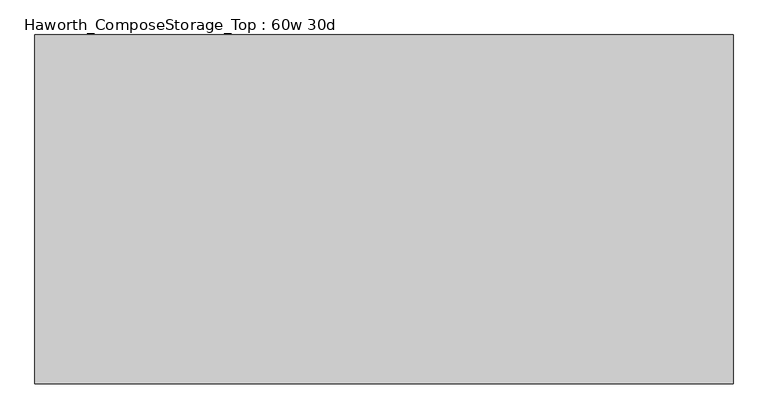
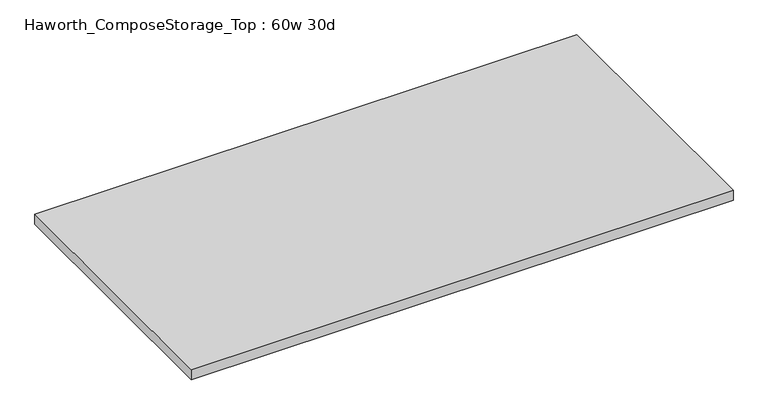
"""IFC4 building model written with IfcOpenShell, lengths in millimetres: furniture geometry, Haworth_ComposeStorage_Top : 60w 30d."""

import ifcopenshell
import ifcopenshell.guid

model = None  # the IFC model being written
_history = None  # IfcOwnerHistory: only IFC2X3 demands one
_inside = {}  # id of a spatial element -> (the spatial element, [elements in it])
_under = {}  # id of a project, library or spatial element -> (it, [spatial elements below it])
_declared = {}  # id of a project -> (the project, [libraries it declares])
_typed = {}  # id of a type object -> (the type object, [elements of that type])
_made_of = {}  # id of a material, layer set ... -> (it, [elements and type objects made of it])


def new_model(schema):
    """Start an empty IFC model of exactly this schema.

    Asked for "IFC4X3", IfcOpenShell would pick the latest addendum, in which some entities
    have other attributes; the version numbers below select the first issue.
    IFC2X3 requires an IfcOwnerHistory on every rooted entity: one is made here for all.
    """
    global model, _history
    if schema == "IFC4X3":
        model = ifcopenshell.file(schema_version=(4, 3, 0, 0))
    else:
        model = ifcopenshell.file(schema=schema)
    _inside.clear()
    _under.clear()
    _declared.clear()
    _typed.clear()
    _made_of.clear()
    _history = None
    if model.schema == "IFC2X3":
        org = make("IfcOrganization", Name="unknown")
        user = make(
            "IfcPersonAndOrganization",
            ThePerson=make("IfcPerson", FamilyName="unknown"),
            TheOrganization=org,
        )
        app = make(
            "IfcApplication",
            ApplicationDeveloper=org,
            Version="unknown",
            ApplicationFullName="unknown",
            ApplicationIdentifier="unknown",
        )
        _history = make(
            "IfcOwnerHistory",
            OwningUser=user,
            OwningApplication=app,
            ChangeAction="ADDED",
            CreationDate=0,
        )
    return model


def make(cls, **values):
    """One entity of the class cls with the attributes given. An attribute that is None is left unset."""
    return model.create_entity(
        cls, **{name: value for name, value in values.items() if value is not None}
    )


def rooted(cls, **values):
    """An entity with a GlobalId (a new one), such as an element, a storey or a relation."""
    return make(cls, GlobalId=ifcopenshell.guid.new(), OwnerHistory=_history, **values)


def si_unit(unit_type, name, prefix=None):
    """IfcSIUnit, for example si_unit("LENGTHUNIT", "METRE", prefix="MILLI")."""
    return make("IfcSIUnit", UnitType=unit_type, Prefix=prefix, Name=name)


def assignment(units):
    """IfcUnitAssignment: the units of a project."""
    return None if units is None else make("IfcUnitAssignment", Units=units)


def point(xyz):
    """IfcCartesianPoint."""
    return None if xyz is None else make("IfcCartesianPoint", Coordinates=xyz)


def direction(xyz):
    """IfcDirection."""
    return None if xyz is None else make("IfcDirection", DirectionRatios=xyz)


def frame(location, z_axis=None, x_axis=None):
    """IfcAxis2Placement3D, a coordinate frame: its origin and axes. An axis left out is left unset."""
    return make(
        "IfcAxis2Placement3D",
        Location=point(location),
        Axis=direction(z_axis),
        RefDirection=direction(x_axis),
    )


def origin():
    """The frame at (0, 0, 0) with its axes left unset."""
    return frame((0.0, 0.0, 0.0))


def place(relative_to, where):
    """IfcLocalPlacement: puts the frame where relative to a parent placement (None: the world)."""
    return make(
        "IfcLocalPlacement", PlacementRelTo=relative_to, RelativePlacement=where
    )


def context(
    kind, dimensions, precision=None, world=None, true_north=None, identifier=None
):
    """IfcGeometricRepresentationContext, for example the 3D "Model" context."""
    return make(
        "IfcGeometricRepresentationContext",
        ContextIdentifier=identifier,
        ContextType=kind,
        CoordinateSpaceDimension=dimensions,
        Precision=precision,
        WorldCoordinateSystem=world,
        TrueNorth=true_north,
    )


def project(units=None, contexts=None):
    """IfcProject with its units and contexts."""
    return rooted(
        "IfcProject",
        Name="project",
        RepresentationContexts=contexts,
        UnitsInContext=assignment(units),
    )


def spatial(cls, under=None, at=None, **own):
    """A site, building, storey or space (cls), placed at a placement, below another one or the project."""
    s = rooted(cls, ObjectPlacement=at, **own)
    if under is not None:
        _under.setdefault(under.id(), (under, []))[1].append(s)
    return s


def polyline(points):
    """IfcPolyline through the points."""
    return make("IfcPolyline", Points=[point(p) for p in points])


def outline(outer, holes=None, kind="AREA"):
    """IfcArbitraryClosedProfileDef: a profile drawn as a closed curve; with holes, ...WithVoids."""
    if holes is None:
        return make("IfcArbitraryClosedProfileDef", ProfileType=kind, OuterCurve=outer)
    return make(
        "IfcArbitraryProfileDefWithVoids",
        ProfileType=kind,
        OuterCurve=outer,
        InnerCurves=holes,
    )


def extrude(swept, where, along, depth):
    """IfcExtrudedAreaSolid: the profile swept, set in the frame where, extruded along a direction by depth."""
    return make(
        "IfcExtrudedAreaSolid",
        SweptArea=swept,
        Position=where,
        ExtrudedDirection=direction(along),
        Depth=depth,
    )


def shape(context_of_items, identifier, shape_type, items):
    """IfcShapeRepresentation: the items that make up one representation, for example the "Body"."""
    return make(
        "IfcShapeRepresentation",
        ContextOfItems=context_of_items,
        RepresentationIdentifier=identifier,
        RepresentationType=shape_type,
        Items=items,
    )


def source(mapping_origin, context_of_items, identifier, shape_type, items):
    """IfcRepresentationMap: a shape defined once, which mapped items show again and again."""
    return make(
        "IfcRepresentationMap",
        MappingOrigin=mapping_origin,
        MappedRepresentation=shape(context_of_items, identifier, shape_type, items),
    )


def transform(
    local_origin,
    x_axis=None,
    y_axis=None,
    z_axis=None,
    scale=None,
    scale2=None,
    scale3=None,
    uniform=True,
):
    """IfcCartesianTransformationOperator3D, or its non-uniform kind. x_axis, y_axis, z_axis: its Axis1, 2, 3."""
    if uniform:
        return make(
            "IfcCartesianTransformationOperator3D",
            Axis1=direction(x_axis),
            Axis2=direction(y_axis),
            LocalOrigin=point(local_origin),
            Scale=scale,
            Axis3=direction(z_axis),
        )
    return make(
        "IfcCartesianTransformationOperator3DnonUniform",
        Axis1=direction(x_axis),
        Axis2=direction(y_axis),
        LocalOrigin=point(local_origin),
        Scale=scale,
        Axis3=direction(z_axis),
        Scale2=scale2,
        Scale3=scale3,
    )


def mapped(mapping_source, mapping_target):
    """IfcMappedItem: shows the shape of a source again, moved by a transform."""
    return make(
        "IfcMappedItem", MappingSource=mapping_source, MappingTarget=mapping_target
    )


def made_of(thing, what):
    """Note that an element or type object is made of a material, layer set ...; save() writes the relation."""
    if what is not None:
        _made_of.setdefault(what.id(), (what, []))[1].append(thing)
    return thing


def element(
    cls,
    number,
    at=None,
    inside=None,
    cuts=None,
    type_object=None,
    material=None,
    context=None,
    identifier="Body",
    shape_type=None,
    held_by="IfcProductDefinitionShape",
    body=None,
    shapes=None,
    **own,
):
    """One element of the class cls, such as IfcWall. Its Tag is "e" and its number.

    at: its placement. inside: the storey or other place that contains it. cuts: it is an
    opening in that element (IfcRelVoidsElement). A single representation is given by context,
    identifier, shape_type and body (its items); several are given by shapes. held_by: the class
    of the entity that holds the representations. save() writes the other relations.
    """
    e = rooted(cls, Tag="e%d" % number, ObjectPlacement=at, **own)
    if body is not None:
        shapes = [shape(context, identifier, shape_type, body)]
    if shapes is not None:
        e.Representation = make(held_by, Representations=shapes)
    if inside is not None:
        _inside.setdefault(inside.id(), (inside, []))[1].append(e)
    if cuts is not None:
        rooted(
            "IfcRelVoidsElement", RelatingBuildingElement=cuts, RelatedOpeningElement=e
        )
    if type_object is not None:
        _typed.setdefault(type_object.id(), (type_object, []))[1].append(e)
    return made_of(e, material)


def aggregate(whole, parts):
    """IfcRelAggregates: a whole, such as a stair, and the parts it consists of."""
    return rooted("IfcRelAggregates", RelatingObject=whole, RelatedObjects=parts)


def save(model, path):
    """Write the relations noted so far, then the file.

    IfcRelAggregates (storeys below a building ...), IfcRelContainedInSpatialStructure (elements
    in a storey), IfcRelDefinesByType, IfcRelAssociatesMaterial and IfcRelDeclares: one each for
    every whole, place, type object, material and project.
    """
    for whole, parts in _under.values():
        aggregate(whole, parts)
    for where, things in _inside.values():
        rooted(
            "IfcRelContainedInSpatialStructure",
            RelatedElements=things,
            RelatingStructure=where,
        )
    for kind, things in _typed.values():
        rooted("IfcRelDefinesByType", RelatedObjects=things, RelatingType=kind)
    for what, things in _made_of.values():
        rooted("IfcRelAssociatesMaterial", RelatedObjects=things, RelatingMaterial=what)
    for by, libraries in _declared.values():
        rooted("IfcRelDeclares", RelatingContext=by, RelatedDefinitions=libraries)
    model.write(path)


def haworth_composestorage_top_60w_30d_7adb6efa(model_context):
    return source(origin(), model_context, "Body", "SweptSolid", [
        extrude(outline(polyline([(762.0, 381.0), (762.0, -381.0), (-762.0, -381.0), (-762.0, 381.0), (762.0, 381.0)])), frame((0.0, 0.0, 706.4375), z_axis=(0.0, 0.0, 1.0), x_axis=(1.0, 0.0, 0.0)), (0.0, 0.0, 1.0), 30.1625),
    ])


if __name__ == "__main__":
    model = new_model("IFC4")
    model_context = context("Model", 3, world=origin())
    ifc_project = project(units=[si_unit("LENGTHUNIT", "METRE", prefix="MILLI")], contexts=[model_context])
    site = spatial("IfcSite", under=ifc_project)
    building = spatial("IfcBuilding", under=site)
    placement = place(None, origin())
    haworth_composestorage_top_60w_30d_shape = haworth_composestorage_top_60w_30d_7adb6efa(model_context)
    element("IfcFurniture", 1, ObjectType="Haworth_ComposeStorage_Top : 60w 30d", at=placement, inside=building, context=model_context, shape_type="MappedRepresentation", body=[
        mapped(haworth_composestorage_top_60w_30d_shape, transform((0.0, 0.0, 0.0), x_axis=(1.0, 0.0, 0.0), y_axis=(0.0, 1.0, 0.0), z_axis=(0.0, 0.0, 1.0))),
    ])
    save(model, "model.ifc")
